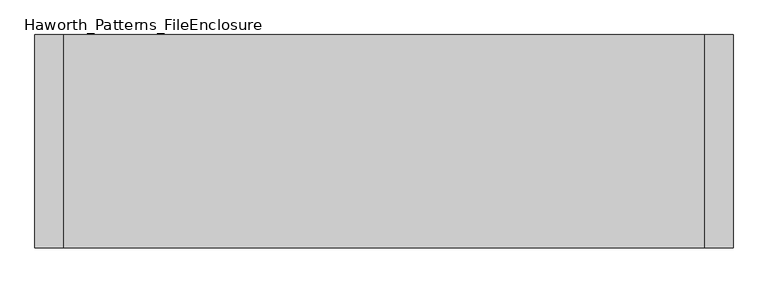
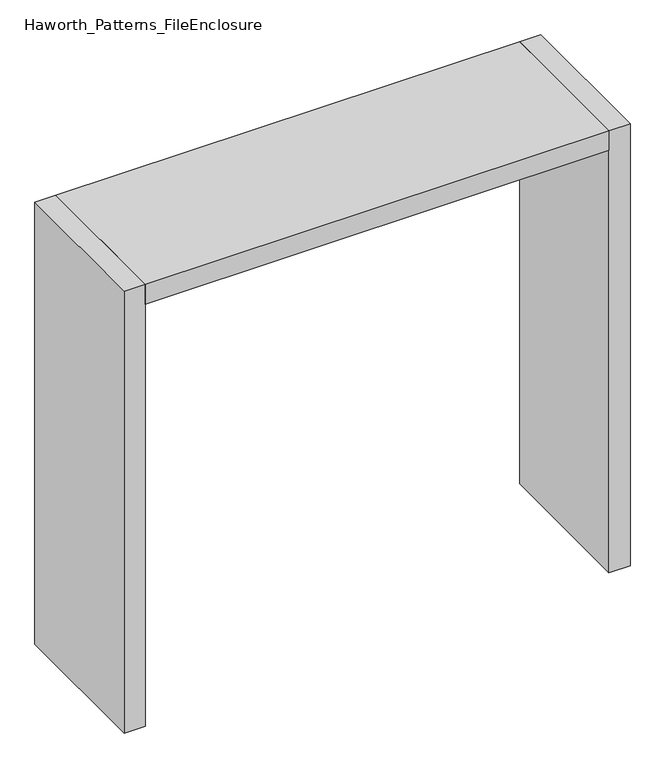
"""IFC4 building model written with IfcOpenShell, lengths in millimetres: furniture geometry, Haworth_Patterns_FileEnclosure."""

from ifc_helpers import new_model, si_unit, frame, origin, origin_with_axes, place, context, project, spatial, polyline, outline, extrude, source, transform, mapped, element, save


def haworth_patterns_fileenclosure_f8434bc9(model_context):
    return source(origin(), model_context, "Body", "SweptSolid", [
        extrude(outline(polyline([(838.2, 0.0), (838.2, -558.8), (-838.2, -558.8), (-838.2, 0.0), (838.2, 0.0)])), frame((0.0, 0.0, 1612.9), z_axis=(0.0, 0.0, 1.0), x_axis=(1.0, 0.0, 0.0)), (0.0, 0.0, 1.0), 76.2),
        extrude(outline(polyline([(838.2, 0.0), (914.4, 0.0), (914.4, -558.8), (838.2, -558.8), (838.2, 0.0)])), origin_with_axes(), (0.0, 0.0, 1.0), 1689.1),
        extrude(outline(polyline([(-838.2, 0.0), (-838.2, -558.8), (-914.4, -558.8), (-914.4, 0.0), (-838.2, 0.0)])), origin_with_axes(), (0.0, 0.0, 1.0), 1689.1),
    ])


if __name__ == "__main__":
    model = new_model("IFC4")
    model_context = context("Model", 3, world=origin())
    ifc_project = project(units=[si_unit("LENGTHUNIT", "METRE", prefix="MILLI")], contexts=[model_context])
    site = spatial("IfcSite", under=ifc_project)
    building = spatial("IfcBuilding", under=site)
    placement = place(None, origin())
    haworth_patterns_fileenclosure_shape = haworth_patterns_fileenclosure_f8434bc9(model_context)
    element("IfcFurniture", 1, ObjectType="Haworth_Patterns_FileEnclosure", at=placement, inside=building, context=model_context, shape_type="MappedRepresentation", body=[
        mapped(haworth_patterns_fileenclosure_shape, transform((0.0, 0.0, 0.0), x_axis=(1.0, 0.0, 0.0), y_axis=(0.0, 1.0, 0.0), z_axis=(0.0, 0.0, 1.0))),
    ])
    save(model, "model.ifc")
